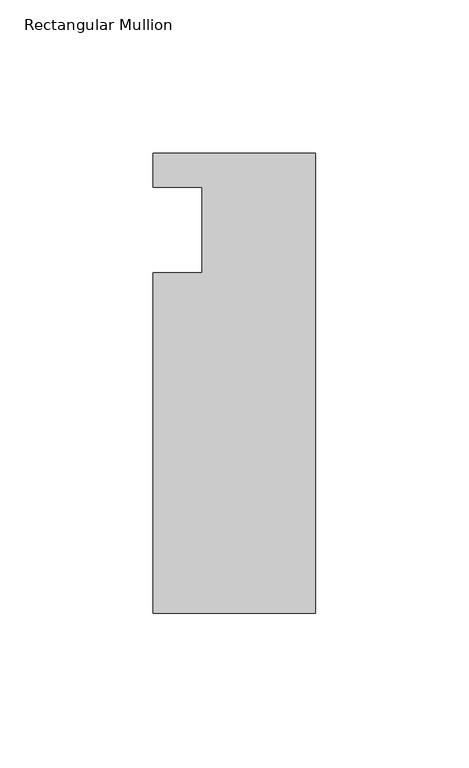
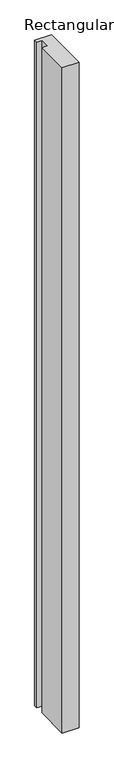
"""IFC4 building model written with IfcOpenShell, lengths in millimetres: member geometry, Rectangular Mullion."""

import ifcopenshell
import ifcopenshell.guid

model = None  # the IFC model being written
_history = None  # IfcOwnerHistory: only IFC2X3 demands one
_inside = {}  # id of a spatial element -> (the spatial element, [elements in it])
_under = {}  # id of a project, library or spatial element -> (it, [spatial elements below it])
_declared = {}  # id of a project -> (the project, [libraries it declares])
_typed = {}  # id of a type object -> (the type object, [elements of that type])
_made_of = {}  # id of a material, layer set ... -> (it, [elements and type objects made of it])


def new_model(schema):
    """Start an empty IFC model of exactly this schema.

    Asked for "IFC4X3", IfcOpenShell would pick the latest addendum, in which some entities
    have other attributes; the version numbers below select the first issue.
    IFC2X3 requires an IfcOwnerHistory on every rooted entity: one is made here for all.
    """
    global model, _history
    if schema == "IFC4X3":
        model = ifcopenshell.file(schema_version=(4, 3, 0, 0))
    else:
        model = ifcopenshell.file(schema=schema)
    _inside.clear()
    _under.clear()
    _declared.clear()
    _typed.clear()
    _made_of.clear()
    _history = None
    if model.schema == "IFC2X3":
        org = make("IfcOrganization", Name="unknown")
        user = make(
            "IfcPersonAndOrganization",
            ThePerson=make("IfcPerson", FamilyName="unknown"),
            TheOrganization=org,
        )
        app = make(
            "IfcApplication",
            ApplicationDeveloper=org,
            Version="unknown",
            ApplicationFullName="unknown",
            ApplicationIdentifier="unknown",
        )
        _history = make(
            "IfcOwnerHistory",
            OwningUser=user,
            OwningApplication=app,
            ChangeAction="ADDED",
            CreationDate=0,
        )
    return model


def make(cls, **values):
    """One entity of the class cls with the attributes given. An attribute that is None is left unset."""
    return model.create_entity(
        cls, **{name: value for name, value in values.items() if value is not None}
    )


def rooted(cls, **values):
    """An entity with a GlobalId (a new one), such as an element, a storey or a relation."""
    return make(cls, GlobalId=ifcopenshell.guid.new(), OwnerHistory=_history, **values)


def si_unit(unit_type, name, prefix=None):
    """IfcSIUnit, for example si_unit("LENGTHUNIT", "METRE", prefix="MILLI")."""
    return make("IfcSIUnit", UnitType=unit_type, Prefix=prefix, Name=name)


def assignment(units):
    """IfcUnitAssignment: the units of a project."""
    return None if units is None else make("IfcUnitAssignment", Units=units)


def point(xyz):
    """IfcCartesianPoint."""
    return None if xyz is None else make("IfcCartesianPoint", Coordinates=xyz)


def direction(xyz):
    """IfcDirection."""
    return None if xyz is None else make("IfcDirection", DirectionRatios=xyz)


def frame(location, z_axis=None, x_axis=None):
    """IfcAxis2Placement3D, a coordinate frame: its origin and axes. An axis left out is left unset."""
    return make(
        "IfcAxis2Placement3D",
        Location=point(location),
        Axis=direction(z_axis),
        RefDirection=direction(x_axis),
    )


def origin():
    """The frame at (0, 0, 0) with its axes left unset."""
    return frame((0.0, 0.0, 0.0))


def place(relative_to, where):
    """IfcLocalPlacement: puts the frame where relative to a parent placement (None: the world)."""
    return make(
        "IfcLocalPlacement", PlacementRelTo=relative_to, RelativePlacement=where
    )


def context(
    kind, dimensions, precision=None, world=None, true_north=None, identifier=None
):
    """IfcGeometricRepresentationContext, for example the 3D "Model" context."""
    return make(
        "IfcGeometricRepresentationContext",
        ContextIdentifier=identifier,
        ContextType=kind,
        CoordinateSpaceDimension=dimensions,
        Precision=precision,
        WorldCoordinateSystem=world,
        TrueNorth=true_north,
    )


def project(units=None, contexts=None):
    """IfcProject with its units and contexts."""
    return rooted(
        "IfcProject",
        Name="project",
        RepresentationContexts=contexts,
        UnitsInContext=assignment(units),
    )


def spatial(cls, under=None, at=None, **own):
    """A site, building, storey or space (cls), placed at a placement, below another one or the project."""
    s = rooted(cls, ObjectPlacement=at, **own)
    if under is not None:
        _under.setdefault(under.id(), (under, []))[1].append(s)
    return s


def polyline(points):
    """IfcPolyline through the points."""
    return make("IfcPolyline", Points=[point(p) for p in points])


def outline(outer, holes=None, kind="AREA"):
    """IfcArbitraryClosedProfileDef: a profile drawn as a closed curve; with holes, ...WithVoids."""
    if holes is None:
        return make("IfcArbitraryClosedProfileDef", ProfileType=kind, OuterCurve=outer)
    return make(
        "IfcArbitraryProfileDefWithVoids",
        ProfileType=kind,
        OuterCurve=outer,
        InnerCurves=holes,
    )


def extrude(swept, where, along, depth):
    """IfcExtrudedAreaSolid: the profile swept, set in the frame where, extruded along a direction by depth."""
    return make(
        "IfcExtrudedAreaSolid",
        SweptArea=swept,
        Position=where,
        ExtrudedDirection=direction(along),
        Depth=depth,
    )


def shape(context_of_items, identifier, shape_type, items):
    """IfcShapeRepresentation: the items that make up one representation, for example the "Body"."""
    return make(
        "IfcShapeRepresentation",
        ContextOfItems=context_of_items,
        RepresentationIdentifier=identifier,
        RepresentationType=shape_type,
        Items=items,
    )


def source(mapping_origin, context_of_items, identifier, shape_type, items):
    """IfcRepresentationMap: a shape defined once, which mapped items show again and again."""
    return make(
        "IfcRepresentationMap",
        MappingOrigin=mapping_origin,
        MappedRepresentation=shape(context_of_items, identifier, shape_type, items),
    )


def transform(
    local_origin,
    x_axis=None,
    y_axis=None,
    z_axis=None,
    scale=None,
    scale2=None,
    scale3=None,
    uniform=True,
):
    """IfcCartesianTransformationOperator3D, or its non-uniform kind. x_axis, y_axis, z_axis: its Axis1, 2, 3."""
    if uniform:
        return make(
            "IfcCartesianTransformationOperator3D",
            Axis1=direction(x_axis),
            Axis2=direction(y_axis),
            LocalOrigin=point(local_origin),
            Scale=scale,
            Axis3=direction(z_axis),
        )
    return make(
        "IfcCartesianTransformationOperator3DnonUniform",
        Axis1=direction(x_axis),
        Axis2=direction(y_axis),
        LocalOrigin=point(local_origin),
        Scale=scale,
        Axis3=direction(z_axis),
        Scale2=scale2,
        Scale3=scale3,
    )


def mapped(mapping_source, mapping_target):
    """IfcMappedItem: shows the shape of a source again, moved by a transform."""
    return make(
        "IfcMappedItem", MappingSource=mapping_source, MappingTarget=mapping_target
    )


def made_of(thing, what):
    """Note that an element or type object is made of a material, layer set ...; save() writes the relation."""
    if what is not None:
        _made_of.setdefault(what.id(), (what, []))[1].append(thing)
    return thing


def element(
    cls,
    number,
    at=None,
    inside=None,
    cuts=None,
    type_object=None,
    material=None,
    context=None,
    identifier="Body",
    shape_type=None,
    held_by="IfcProductDefinitionShape",
    body=None,
    shapes=None,
    **own,
):
    """One element of the class cls, such as IfcWall. Its Tag is "e" and its number.

    at: its placement. inside: the storey or other place that contains it. cuts: it is an
    opening in that element (IfcRelVoidsElement). A single representation is given by context,
    identifier, shape_type and body (its items); several are given by shapes. held_by: the class
    of the entity that holds the representations. save() writes the other relations.
    """
    e = rooted(cls, Tag="e%d" % number, ObjectPlacement=at, **own)
    if body is not None:
        shapes = [shape(context, identifier, shape_type, body)]
    if shapes is not None:
        e.Representation = make(held_by, Representations=shapes)
    if inside is not None:
        _inside.setdefault(inside.id(), (inside, []))[1].append(e)
    if cuts is not None:
        rooted(
            "IfcRelVoidsElement", RelatingBuildingElement=cuts, RelatedOpeningElement=e
        )
    if type_object is not None:
        _typed.setdefault(type_object.id(), (type_object, []))[1].append(e)
    return made_of(e, material)


def aggregate(whole, parts):
    """IfcRelAggregates: a whole, such as a stair, and the parts it consists of."""
    return rooted("IfcRelAggregates", RelatingObject=whole, RelatedObjects=parts)


def save(model, path):
    """Write the relations noted so far, then the file.

    IfcRelAggregates (storeys below a building ...), IfcRelContainedInSpatialStructure (elements
    in a storey), IfcRelDefinesByType, IfcRelAssociatesMaterial and IfcRelDeclares: one each for
    every whole, place, type object, material and project.
    """
    for whole, parts in _under.values():
        aggregate(whole, parts)
    for where, things in _inside.values():
        rooted(
            "IfcRelContainedInSpatialStructure",
            RelatedElements=things,
            RelatingStructure=where,
        )
    for kind, things in _typed.values():
        rooted("IfcRelDefinesByType", RelatedObjects=things, RelatingType=kind)
    for what, things in _made_of.values():
        rooted("IfcRelAssociatesMaterial", RelatedObjects=things, RelatingMaterial=what)
    for by, libraries in _declared.values():
        rooted("IfcRelDeclares", RelatingContext=by, RelatedDefinitions=libraries)
    model.write(path)


def rectangular_mullion_15cb8a5d(model_context):
    return source(origin(), model_context, "Body", "SweptSolid", [
        extrude(outline(polyline([(-37.0, -14.0), (-37.0, 14.0), (-53.0, 14.0), (-53.0, 25.0), (0.0, 25.0), (0.0, -125.0), (-53.0, -125.0), (-53.0, -14.0), (-37.0, -14.0)])), frame((0.0, 0.0, -2216.0199255), z_axis=(0.0, 0.0, 1.0), x_axis=(1.0, 0.0, 0.0)), (0.0, 0.0, 1.0), 2216.0199255),
    ])


if __name__ == "__main__":
    model = new_model("IFC4")
    model_context = context("Model", 3, world=origin())
    ifc_project = project(units=[si_unit("LENGTHUNIT", "METRE", prefix="MILLI")], contexts=[model_context])
    site = spatial("IfcSite", under=ifc_project)
    building = spatial("IfcBuilding", under=site)
    placement = place(None, origin())
    rectangular_mullion_shape = rectangular_mullion_15cb8a5d(model_context)
    element("IfcMember", 1, ObjectType="Rectangular Mullion", at=placement, inside=building, context=model_context, shape_type="MappedRepresentation", body=[
        mapped(rectangular_mullion_shape, transform((0.0, 0.0, 0.0), x_axis=(1.0, 0.0, 0.0), y_axis=(0.0, 1.0, 0.0), z_axis=(0.0, 0.0, 1.0))),
    ])
    save(model, "model.ifc")
